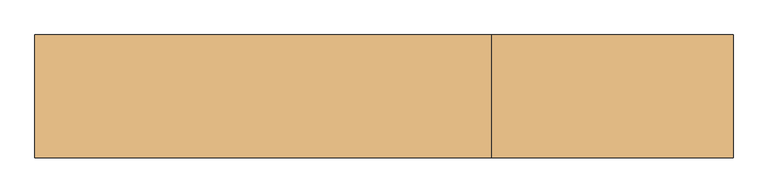
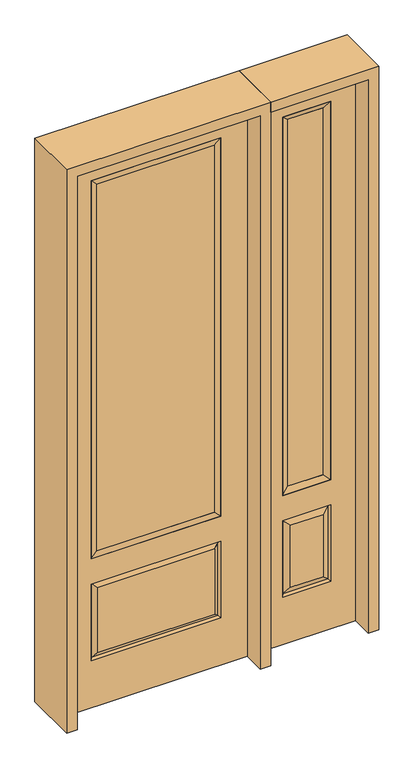
"""IFC4 building model written with IfcOpenShell, lengths in millimetres: door geometry."""

from ifc_helpers import new_model, si_unit, frame, origin, place, context, project, spatial, polyline, outline, extrude, faceted_brep, source, transform, mapped, element, save


def door_b96f6eba(model_context):
    return source(origin(), model_context, "Body", "SolidModel", [
        faceted_brep([(425.45, -22.225, 0.0), (831.85, -22.225, 0.0), (831.85, -22.225, 2438.4), (425.45, -22.225, 2438.4), (728.98, -22.225, 2325.624), (728.98, -22.225, 657.098), (528.32, -22.225, 657.098), (528.32, -22.225, 2325.624), (728.98, -22.225, 209.55), (528.32, -22.225, 209.55), (528.32, -22.225, 546.1), (728.98, -22.225, 546.1), (560.0351001, -22.225, 241.2651001), (697.2648999, -22.225, 241.2651001), (697.2648999, -22.225, 514.3848999), (560.0351001, -22.225, 514.3848999), (425.45, 22.225, 0.0), (425.45, 22.225, 2438.4), (831.85, 22.225, 2438.4), (831.85, 22.225, 0.0), (728.98, 22.225, 2325.624), (528.32, 22.225, 2325.624), (528.32, 22.225, 657.098), (728.98, 22.225, 657.098), (528.32, 22.225, 209.55), (728.98, 22.225, 209.55), (728.98, 22.225, 546.1), (528.32, 22.225, 546.1), (697.2648999, 22.225, 241.2651001), (560.0351001, 22.225, 241.2651001), (560.0351001, 22.225, 514.3848999), (697.2648999, 22.225, 514.3848999), (721.8711499, 12.7912373, 216.6588501), (535.4288501, 12.7912373, 216.6588501), (535.4288501, 12.7912373, 538.9911499), (721.8711499, 12.7912373, 538.9911499), (535.4288501, -12.7912373, 216.6588501), (721.8711499, -12.7912373, 216.6588501), (535.4288501, -12.7912373, 538.9911499), (721.8711499, -12.7912373, 538.9911499)], [[[0, 1, 2, 3], [4, 5, 6, 7], [8, 9, 10, 11]], [[12, 13, 14, 15]], [[16, 17, 18, 19], [20, 21, 22, 23], [24, 25, 26, 27]], [[28, 29, 30, 31]], [[1, 0, 16, 19]], [[2, 1, 19, 18]], [[3, 2, 18, 17]], [[0, 3, 17, 16]], [[5, 4, 20, 23]], [[6, 5, 23, 22]], [[7, 6, 22, 21]], [[4, 7, 21, 20]], [[32, 33, 29, 28]], [[33, 32, 25, 24]], [[29, 33, 34, 30]], [[33, 24, 27, 34]], [[30, 34, 35, 31]], [[34, 27, 26, 35]], [[32, 28, 31, 35]], [[25, 32, 35, 26]], [[12, 36, 37, 13]], [[37, 36, 9, 8]], [[36, 12, 15, 38]], [[9, 36, 38, 10]], [[38, 15, 14, 39]], [[10, 38, 39, 11]], [[13, 37, 39, 14]], [[37, 8, 11, 39]]]),
        faceted_brep([(528.32, 22.225, 2325.624), (528.32, -22.225, 2325.624), (728.98, -22.225, 2325.624), (728.98, 22.225, 2325.624), (553.72, 12.7, 2300.224), (703.58, 12.7, 2300.224), (553.72, -12.7, 2300.224), (703.58, -12.7, 2300.224), (728.98, -22.225, 657.098), (728.98, 22.225, 657.098), (703.58, 12.7, 682.498), (703.58, -12.7, 682.498), (528.32, -22.225, 657.098), (528.32, 22.225, 657.098), (553.72, 12.7, 682.498), (553.72, -12.7, 682.498)], [[[0, 1, 2, 3]], [[4, 0, 3, 5]], [[6, 4, 5, 7]], [[1, 6, 7, 2]], [[3, 2, 8, 9]], [[5, 3, 9, 10]], [[7, 5, 10, 11]], [[2, 7, 11, 8]], [[9, 8, 12, 13]], [[10, 9, 13, 14]], [[11, 10, 14, 15]], [[8, 11, 15, 12]], [[13, 12, 1, 0]], [[14, 13, 0, 4]], [[15, 14, 4, 6]], [[12, 15, 6, 1]]]),
        extrude(outline(polyline([(703.58, -12.7), (553.72, -12.7), (553.72, 12.7), (703.58, 12.7), (703.58, -12.7)])), frame((0.0, 0.0, 682.498), z_axis=(0.0, 0.0, 1.0), x_axis=(1.0, 0.0, 0.0)), (0.0, 0.0, 1.0), 1617.726),
        extrude(outline(polyline([(244.475, -20.32), (-244.475, -20.32), (-244.475, 5.08), (244.475, 5.08), (244.475, -20.32)])), frame((0.0, 0.0, 682.498), z_axis=(0.0, 0.0, 1.0), x_axis=(1.0, 0.0, 0.0)), (0.0, 0.0, 1.0), 1616.202),
        faceted_brep([(-262.7661499, -12.7912373, 216.6588501), (262.7661499, -12.7912373, 216.6588501), (245.26875, -22.225, 234.15625), (-245.26875, -22.225, 234.15625), (-269.875, -22.225, 209.55), (269.875, -22.225, 209.55), (-262.7661499, -12.7912373, 538.9911499), (-269.875, -22.225, 546.1), (245.26875, -22.225, 521.49375), (-245.26875, -22.225, 521.49375), (381.0, -22.225, 2438.4), (-381.0, -22.225, 2438.4), (-381.0, -22.225, 0.0), (381.0, -22.225, 0.0), (269.875, -22.225, 546.1), (269.875, -22.225, 2324.1), (269.875, -22.225, 657.098), (-269.875, -22.225, 657.098), (-269.875, -22.225, 2324.1), (262.7661499, -12.7912373, 538.9911499), (-381.0, 22.225, 2438.4), (-381.0, 22.225, 0.0), (381.0, 22.225, 0.0), (381.0, 22.225, 2438.4), (269.875, 22.225, 2324.1), (269.875, 22.225, 657.098), (-269.875, 22.225, 657.098), (-269.875, 22.225, 2324.1), (-269.875, 22.225, 209.55), (269.875, 22.225, 209.55), (269.875, 22.225, 546.1), (-269.875, 22.225, 546.1), (245.26875, 22.225, 234.15625), (-245.26875, 22.225, 234.15625), (-245.26875, 22.225, 521.49375), (245.26875, 22.225, 521.49375), (-262.7661499, 12.7912373, 216.6588501), (262.7661499, 12.7912373, 216.6588501), (262.7661499, 12.7912373, 538.9911499), (-262.7661499, 12.7912373, 538.9911499)], [[[0, 1, 2, 3]], [[1, 0, 4, 5]], [[4, 0, 6, 7]], [[3, 2, 8, 9]], [[10, 11, 12, 13], [5, 4, 7, 14], [15, 16, 17, 18]], [[1, 5, 14, 19]], [[2, 1, 19, 8]], [[0, 3, 9, 6]], [[7, 6, 19, 14]], [[6, 9, 8, 19]], [[12, 11, 20, 21]], [[13, 12, 21, 22]], [[10, 13, 22, 23]], [[16, 15, 24, 25]], [[17, 16, 25, 26]], [[18, 17, 26, 27]], [[23, 22, 21, 20], [28, 29, 30, 31], [24, 27, 26, 25]], [[32, 33, 34, 35]], [[28, 36, 37, 29]], [[29, 37, 38, 30]], [[39, 31, 30, 38]], [[36, 28, 31, 39]], [[37, 36, 33, 32]], [[33, 36, 39, 34]], [[34, 39, 38, 35]], [[37, 32, 35, 38]], [[11, 10, 23, 20]], [[15, 18, 27, 24]]]),
        faceted_brep([(-269.875, -22.225, 2324.1), (-269.875, 22.225, 2324.1), (-269.875, 22.225, 657.098), (-269.875, -22.225, 657.098), (269.875, 22.225, 657.098), (269.875, -22.225, 657.098), (-244.475, 5.08, 682.498), (244.475, 5.08, 682.498), (269.875, 22.225, 2324.1), (269.875, -22.225, 2324.1), (-244.475, -20.32, 682.498), (244.475, -20.32, 682.498), (-244.475, -20.32, 2298.7), (244.475, -20.32, 2298.7), (-244.475, 5.08, 2298.7), (244.475, 5.08, 2298.7)], [[[0, 1, 2, 3]], [[3, 2, 4, 5]], [[2, 6, 7, 4]], [[5, 4, 8, 9]], [[10, 3, 5, 11]], [[12, 0, 3, 10]], [[11, 5, 9, 13]], [[6, 10, 11, 7]], [[14, 12, 10, 6]], [[7, 11, 13, 15]], [[1, 14, 6, 2]], [[4, 7, 15, 8]], [[9, 8, 1, 0]], [[13, 9, 0, 12]], [[15, 13, 12, 14]], [[8, 15, 14, 1]]]),
        extrude(outline(polyline([(2482.85, -425.45), (0.0, -425.45), (0.0, -381.0), (2438.4, -381.0), (2438.4, 381.0), (0.0, 381.0), (0.0, 425.45), (2482.85, 425.45), (2482.85, -425.45)])), frame((0.0, -114.3, 0.0), z_axis=(0.0, 1.0, 0.0), x_axis=(0.0, 0.0, 1.0)), (0.0, 0.0, 1.0), 228.6),
        extrude(outline(polyline([(0.0, 831.85), (0.0, 876.3), (2482.85, 876.3), (2482.85, 425.45), (2438.4, 425.45), (2438.4, 831.85), (0.0, 831.85)])), frame((0.0, -114.3, 0.0), z_axis=(0.0, 1.0, 0.0), x_axis=(0.0, 0.0, 1.0)), (0.0, 0.0, 1.0), 228.6),
    ])


if __name__ == "__main__":
    model = new_model("IFC4")
    model_context = context("Model", 3, world=origin())
    ifc_project = project(units=[si_unit("LENGTHUNIT", "METRE", prefix="MILLI")], contexts=[model_context])
    site = spatial("IfcSite", under=ifc_project)
    building = spatial("IfcBuilding", under=site)
    placement = place(None, origin())
    door_shape = door_b96f6eba(model_context)
    element("IfcDoor", 1, at=placement, inside=building, context=model_context, shape_type="MappedRepresentation", body=[
        mapped(door_shape, transform((0.0, 0.0, 0.0), x_axis=(1.0, 0.0, 0.0), y_axis=(0.0, 1.0, 0.0), z_axis=(0.0, 0.0, 1.0))),
    ])
    save(model, "model.ifc")
